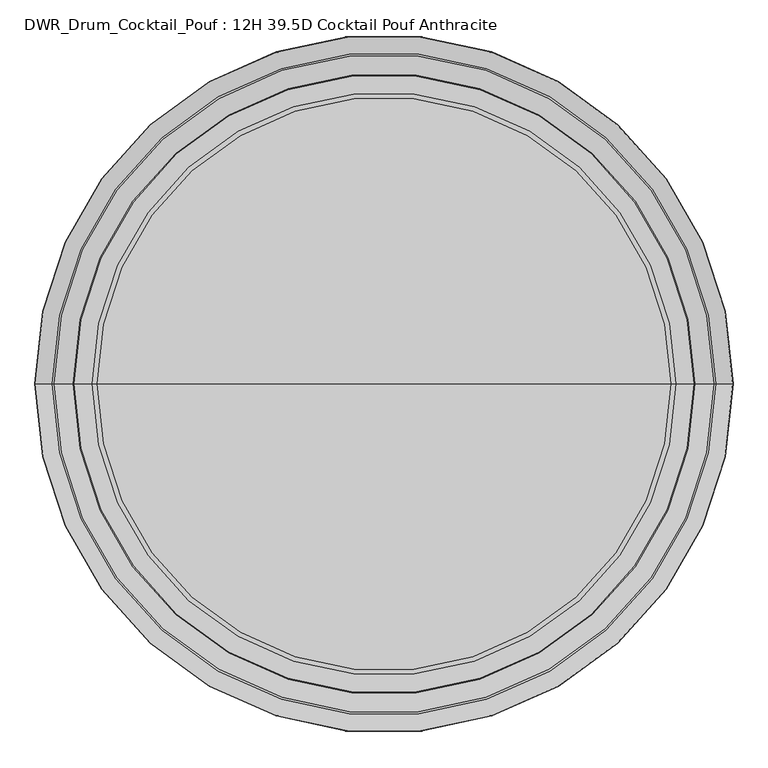
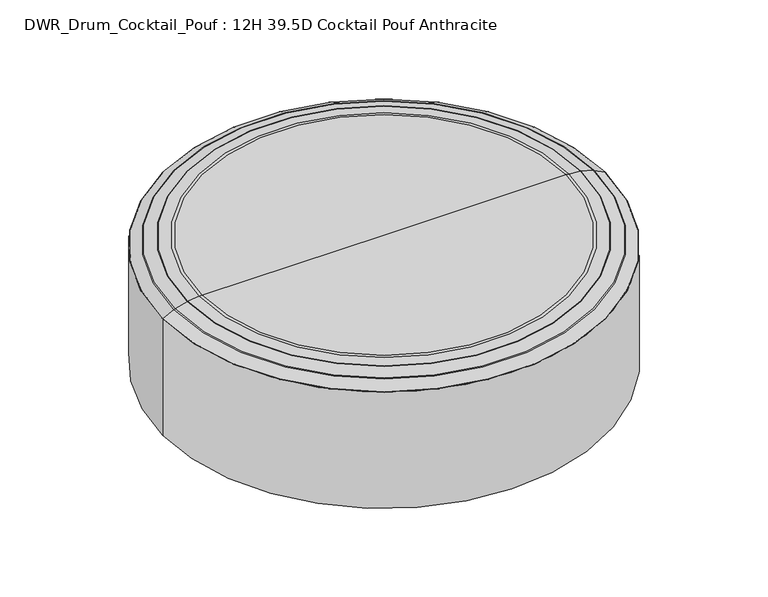
"""IFC4 building model written with IfcOpenShell, lengths in millimetres: furniture geometry, DWR_Drum_Cocktail_Pouf : 12H 39.5D Cocktail Pouf Anthracite."""

from ifc_helpers import new_model, si_unit, point, frame, origin, place, context, project, spatial, polyline, circle_curve, ellipse_curve, trimmed, source, transform, mapped, element, save
from ifc_brep_helpers import plane_surface, cylinder_surface, revolved_surface, advanced_brep


def dwr_drum_cocktail_pouf_12h_39_5d_cocktail_pouf_anthracite_a5fe82ce(model_context):
    return source(origin(), model_context, "Body", "AdvancedBrep", [
        advanced_brep(
        [(501.7740234, -7.9375, 0.0), (-501.5259766, -7.9375, 0.0), (-501.5259766, -7.9375, 278.8570796), (501.7740234, -7.9375, 278.8570796), (0.1240234, -7.9375, 0.0), (412.1553557, -7.9375, 304.8), (-411.9073089, -7.9375, 304.8), (0.1240234, -7.9375, 304.8), (419.1170231, -7.9375, 304.4704557), (-418.8689762, -7.9375, 304.4704557), (445.0344806, -7.9375, 302.0112364), (-444.7864338, -7.9375, 302.0112364), (446.4617207, -7.9375, 301.7412938), (-446.2136738, -7.9375, 301.7412938), (473.8422543, -7.9375, 293.8900521), (-473.5942075, -7.9375, 293.8900521), (476.6737381, -7.9375, 292.7460584), (-476.4256912, -7.9375, 292.7460584), (501.2946531, -7.9375, 279.6548857), (-501.0466063, -7.9375, 279.6548857)],
        [
            (0, 1, circle_curve(frame((0.1240234, -7.9375, 0.0), z_axis=(0.0, 0.0, 1.0), x_axis=(-1.0, 0.0, 0.0)), 501.65)),
            (1, 2),
            (2, 3, circle_curve(frame((0.1240234, -7.9375, 278.8570796), z_axis=(0.0, 0.0, -1.0), x_axis=(-1.0, 0.0, 0.0)), 501.65)),
            (3, 0),
            (1, 0, circle_curve(frame((0.1240234, -7.9375, 0.0), z_axis=(0.0, 0.0, 1.0), x_axis=(-1.0, 0.0, 0.0)), 501.65)),
            (3, 2, circle_curve(frame((0.1240234, -7.9375, 278.8570796), z_axis=(0.0, 0.0, -1.0), x_axis=(-1.0, 0.0, 0.0)), 501.65)),
            (4, 1),
            (0, 4),
            (5, 6, circle_curve(frame((0.1240234, -7.9375, 304.8), z_axis=(0.0, 0.0, 1.0), x_axis=(-1.0, 0.0, 0.0)), 412.0313323)),
            (6, 7),
            (7, 5),
            (6, 5, circle_curve(frame((0.1240234, -7.9375, 304.8), z_axis=(0.0, 0.0, 1.0), x_axis=(-1.0, 0.0, 0.0)), 412.0313323)),
            (8, 9, circle_curve(frame((0.1240234, -7.9375, 304.4704557), z_axis=(0.0, 0.0, 1.0), x_axis=(-1.0, 0.0, 0.0)), 418.9929997)),
            (9, 6, circle_curve(frame((-411.9073089, -7.9375, 231.1021614), z_axis=(0.0, 1.0, 0.0), x_axis=(1.0, 0.0, 0.0)), 73.6978386)),
            (5, 8, circle_curve(frame((412.1553557, -7.9375, 231.1021614), z_axis=(0.0, 1.0, 0.0), x_axis=(-1.0, 0.0, 0.0)), 73.6978386)),
            (9, 8, circle_curve(frame((0.1240234, -7.9375, 304.4704557), z_axis=(0.0, 0.0, 1.0), x_axis=(-1.0, 0.0, 0.0)), 418.9929997)),
            (10, 11, circle_curve(frame((0.1240234, -7.9375, 302.0112364), z_axis=(0.0, 0.0, 1.0), x_axis=(-1.0, 0.0, 0.0)), 444.9104572)),
            (11, 9),
            (8, 10),
            (11, 10, circle_curve(frame((0.1240234, -7.9375, 302.0112364), z_axis=(0.0, 0.0, 1.0), x_axis=(-1.0, 0.0, 0.0)), 444.9104572)),
            (12, 13, circle_curve(frame((0.1240234, -7.9375, 301.7412938), z_axis=(0.0, 0.0, 1.0), x_axis=(-1.0, 0.0, 0.0)), 446.3376973)),
            (13, 11, circle_curve(frame((-444.0422895, -7.9375, 294.1687767), z_axis=(0.0, 1.0, 0.0), x_axis=(1.0, 0.0, 0.0)), 7.8776853)),
            (10, 12, circle_curve(frame((444.2903364, -7.9375, 294.1687767), z_axis=(0.0, 1.0, 0.0), x_axis=(-1.0, 0.0, 0.0)), 7.8776853)),
            (13, 12, circle_curve(frame((0.1240234, -7.9375, 301.7412938), z_axis=(0.0, 0.0, 1.0), x_axis=(-1.0, 0.0, 0.0)), 446.3376973)),
            (14, 15, circle_curve(frame((0.1240234, -7.9375, 293.8900521), z_axis=(0.0, 0.0, 1.0), x_axis=(-1.0, 0.0, 0.0)), 473.7182309)),
            (15, 13),
            (12, 14),
            (15, 14, circle_curve(frame((0.1240234, -7.9375, 293.8900521), z_axis=(0.0, 0.0, 1.0), x_axis=(-1.0, 0.0, 0.0)), 473.7182309)),
            (16, 17, circle_curve(frame((0.1240234, -7.9375, 292.7460584), z_axis=(0.0, 0.0, 1.0), x_axis=(-1.0, 0.0, 0.0)), 476.5497147)),
            (17, 15, circle_curve(frame((-469.5677628, -7.9375, 279.848171), z_axis=(0.0, 1.0, 0.0), x_axis=(1.0, 0.0, 0.0)), 14.6077611)),
            (14, 16, circle_curve(frame((469.8158097, -7.9375, 279.848171), z_axis=(0.0, 1.0, 0.0), x_axis=(-1.0, 0.0, 0.0)), 14.6077611)),
            (17, 16, circle_curve(frame((0.1240234, -7.9375, 292.7460584), z_axis=(0.0, 0.0, 1.0), x_axis=(-1.0, 0.0, 0.0)), 476.5497147)),
            (18, 19, circle_curve(frame((0.1240234, -7.9375, 279.6548857), z_axis=(0.0, 0.0, 1.0), x_axis=(-1.0, 0.0, 0.0)), 501.1706297)),
            (19, 17),
            (16, 18),
            (19, 18, circle_curve(frame((0.1240234, -7.9375, 279.6548857), z_axis=(0.0, 0.0, 1.0), x_axis=(-1.0, 0.0, 0.0)), 501.1706297)),
            (2, 19, circle_curve(frame((-500.6224052, -7.9375, 278.8570796), z_axis=(0.0, 1.0, 0.0), x_axis=(1.0, 0.0, 0.0)), 0.9035714)),
            (18, 3, circle_curve(frame((500.8704521, -7.9375, 278.8570796), z_axis=(0.0, 1.0, 0.0), x_axis=(-1.0, 0.0, 0.0)), 0.9035714)),
        ],
        [
            cylinder_surface(frame((0.1240234, -7.9375, 234.95), z_axis=(0.0, 0.0, -1.0), x_axis=(-1.0, 0.0, 0.0)), 501.65),
            plane_surface(frame((0.1240234, -7.9375, 0.0), z_axis=(0.0, 0.0, -1.0), x_axis=(-1.0, 0.0, 0.0))),
            plane_surface(frame((0.1240234, -7.9375, 304.8), z_axis=(0.0, 0.0, 1.0), x_axis=(-1.0, 0.0, 0.0))),
            revolved_surface(trimmed(ellipse_curve(frame((-411.9073089, -7.9375, 231.1021614), z_axis=(0.0, -1.0, 0.0), x_axis=(1.0, 0.0, 0.0)), 73.6978386, 73.6978386), [point((-411.9073089, -7.9375, 304.8))], [point((-418.8689762, -7.9375, 304.4704557))], True, "CARTESIAN"), (0.1240234, -7.9375, 234.95), (0.0, 0.0, -1.0)),
            revolved_surface(polyline([(-418.8689762, -7.9375, 304.4704557), (-444.7864338, -7.9375, 302.0112364)]), (0.1240234, -7.9375, 234.95), (0.0, 0.0, -1.0)),
            revolved_surface(trimmed(ellipse_curve(frame((-444.0422895, -7.9375, 294.1687767), z_axis=(0.0, -1.0, 0.0), x_axis=(1.0, 0.0, 0.0)), 7.8776853, 7.8776853), [point((-444.7864338, -7.9375, 302.0112364))], [point((-446.2136738, -7.9375, 301.7412938))], True, "CARTESIAN"), (0.1240234, -7.9375, 234.95), (0.0, 0.0, -1.0)),
            revolved_surface(polyline([(-446.2136738, -7.9375, 301.7412938), (-473.5942075, -7.9375, 293.8900521)]), (0.1240234, -7.9375, 234.95), (0.0, 0.0, -1.0)),
            revolved_surface(trimmed(ellipse_curve(frame((-469.5677628, -7.9375, 279.848171), z_axis=(0.0, -1.0, 0.0), x_axis=(1.0, 0.0, 0.0)), 14.6077611, 14.6077611), [point((-473.5942075, -7.9375, 293.8900521))], [point((-476.4256912, -7.9375, 292.7460584))], True, "CARTESIAN"), (0.1240234, -7.9375, 234.95), (0.0, 0.0, -1.0)),
            revolved_surface(polyline([(-476.4256912, -7.9375, 292.7460584), (-501.0466063, -7.9375, 279.6548857)]), (0.1240234, -7.9375, 234.95), (0.0, 0.0, -1.0)),
            revolved_surface(trimmed(ellipse_curve(frame((-500.6224052, -7.9375, 278.8570796), z_axis=(0.0, -1.0, 0.0), x_axis=(1.0, 0.0, 0.0)), 0.9035714, 0.9035714), [point((-501.0466063, -7.9375, 279.6548857))], [point((-501.5259766, -7.9375, 278.8570796))], True, "CARTESIAN"), (0.1240234, -7.9375, 234.95), (0.0, 0.0, -1.0)),
        ],
        [
            (0, [[1, 2, 3, 4]]),
            (0, [[5, -4, 6, -2]]),
            (1, [[7, -1, 8]]),
            (1, [[-8, -5, -7]]),
            (2, [[9, 10, 11]]),
            (2, [[12, -11, -10]]),
            (3, [[13, 14, -9, 15]]),
            (3, [[16, -15, -12, -14]]),
            (4, [[17, 18, -13, 19]]),
            (4, [[20, -19, -16, -18]]),
            (5, [[21, 22, -17, 23]]),
            (5, [[24, -23, -20, -22]]),
            (6, [[25, 26, -21, 27]]),
            (6, [[28, -27, -24, -26]]),
            (7, [[29, 30, -25, 31]]),
            (7, [[32, -31, -28, -30]]),
            (8, [[33, 34, -29, 35]]),
            (8, [[36, -35, -32, -34]]),
            (9, [[-3, 37, -33, 38]]),
            (9, [[-6, -38, -36, -37]]),
        ],
    ),
    ])


if __name__ == "__main__":
    model = new_model("IFC4")
    model_context = context("Model", 3, world=origin())
    ifc_project = project(units=[si_unit("LENGTHUNIT", "METRE", prefix="MILLI")], contexts=[model_context])
    site = spatial("IfcSite", under=ifc_project)
    building = spatial("IfcBuilding", under=site)
    placement = place(None, origin())
    dwr_drum_cocktail_pouf_12h_39_5d_cocktail_pouf_anthracite_shape = dwr_drum_cocktail_pouf_12h_39_5d_cocktail_pouf_anthracite_a5fe82ce(model_context)
    element("IfcFurniture", 1, ObjectType="DWR_Drum_Cocktail_Pouf : 12H 39.5D Cocktail Pouf Anthracite", at=placement, inside=building, context=model_context, shape_type="MappedRepresentation", body=[
        mapped(dwr_drum_cocktail_pouf_12h_39_5d_cocktail_pouf_anthracite_shape, transform((0.0, 0.0, 0.0), x_axis=(1.0, 0.0, 0.0), y_axis=(0.0, 1.0, 0.0), z_axis=(0.0, 0.0, 1.0))),
    ])
    save(model, "model.ifc")
